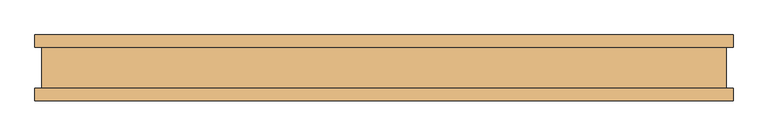
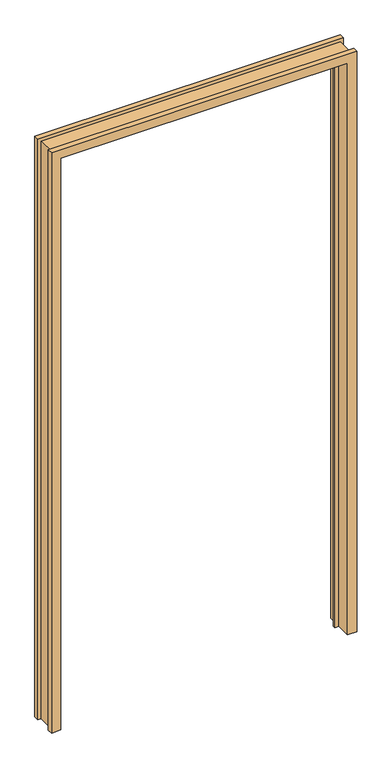
"""IFC4 building model written with IfcOpenShell, lengths in millimetres: door geometry."""

from ifc_helpers import new_model, si_unit, origin, place, context, project, spatial, faceted_brep, source, transform, mapped, element, save


def door_7a11699c(model_context):
    return source(origin(), model_context, "Body", "Brep", [
        faceted_brep([(-498.6782, -50.0254003, 0.0), (-531.3172, -50.0254003, 0.0), (-531.3172, -31.4833003, 0.0), (-520.7, -31.4833003, 0.0), (-520.7, 31.4833003, 0.0), (-531.3172, 31.4833003, 0.0), (-531.3172, 50.0254003, 0.0), (-498.6782, 50.0254003, 0.0), (-498.6782, 10.8710997, 0.0), (-485.7242, 10.8710997, 0.0), (-485.7242, 2.5906997, 0.0), (-498.6782, 2.5906997, 0.0), (498.6782, -50.0254003, 0.0), (498.6782, 2.5906997, 0.0), (485.7242, 2.5906997, 0.0), (485.7242, 10.8710997, 0.0), (498.6782, 10.8710997, 0.0), (498.6782, 50.0254003, 0.0), (531.3172, 50.0254003, 0.0), (531.3172, 31.4833003, 0.0), (520.7, 31.4833003, 0.0), (520.7, -31.4833003, 0.0), (531.3172, -31.4833003, 0.0), (531.3172, -50.0254003, 0.0), (-498.6782, 2.5906997, 2100.5725997), (-498.6782, -50.0254003, 2100.5725997), (-485.7242, 2.5906997, 2087.6185997), (485.7242, 2.5906997, 2087.6185997), (498.6782, 2.5906997, 2100.5725997), (-485.7242, 10.8710997, 2087.6185997), (-498.6782, 10.8710997, 2100.5725997), (498.6782, 10.8710997, 2100.5725997), (485.7242, 10.8710997, 2087.6185997), (-498.6782, 50.0254003, 2100.5725997), (-531.3172, 50.0254003, 2133.2115997), (531.3172, 50.0254003, 2133.2115997), (498.6782, 50.0254003, 2100.5725997), (-531.3172, 31.4833003, 2133.2115997), (-520.7, 31.4833003, 2122.5943997), (520.7, 31.4833003, 2122.5943997), (531.3172, 31.4833003, 2133.2115997), (-520.7, -31.4833003, 2122.5943997), (-531.3172, -31.4833003, 2133.2115997), (531.3172, -31.4833003, 2133.2115997), (520.7, -31.4833003, 2122.5943997), (-531.3172, -50.0254003, 2133.2115997), (498.6782, -50.0254003, 2100.5725997), (531.3172, -50.0254003, 2133.2115997)], [[[0, 1, 2, 3, 4, 5, 6, 7, 8, 9, 10, 11]], [[12, 13, 14, 15, 16, 17, 18, 19, 20, 21, 22, 23]], [[11, 24, 25, 0]], [[10, 26, 27, 14, 13, 28, 24, 11]], [[9, 29, 26, 10]], [[8, 30, 31, 16, 15, 32, 29, 9]], [[7, 33, 30, 8]], [[6, 34, 35, 18, 17, 36, 33, 7]], [[5, 37, 34, 6]], [[4, 38, 39, 20, 19, 40, 37, 5]], [[3, 41, 38, 4]], [[2, 42, 43, 22, 21, 44, 41, 3]], [[1, 45, 42, 2]], [[0, 25, 46, 12, 23, 47, 45, 1]], [[24, 28, 46, 25]], [[29, 32, 27, 26]], [[33, 36, 31, 30]], [[37, 40, 35, 34]], [[41, 44, 39, 38]], [[45, 47, 43, 42]], [[28, 13, 12, 46]], [[32, 15, 14, 27]], [[36, 17, 16, 31]], [[40, 19, 18, 35]], [[44, 21, 20, 39]], [[47, 23, 22, 43]]]),
    ])


if __name__ == "__main__":
    model = new_model("IFC4")
    model_context = context("Model", 3, world=origin())
    ifc_project = project(units=[si_unit("LENGTHUNIT", "METRE", prefix="MILLI")], contexts=[model_context])
    site = spatial("IfcSite", under=ifc_project)
    building = spatial("IfcBuilding", under=site)
    placement = place(None, origin())
    door_shape = door_7a11699c(model_context)
    element("IfcDoor", 1, at=placement, inside=building, context=model_context, shape_type="MappedRepresentation", body=[
        mapped(door_shape, transform((0.0, 0.0, 0.0), x_axis=(1.0, 0.0, 0.0), y_axis=(0.0, 1.0, 0.0), z_axis=(0.0, 0.0, 1.0))),
    ])
    save(model, "model.ifc")
